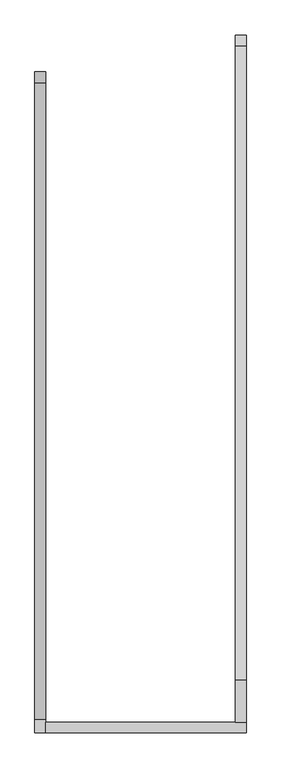
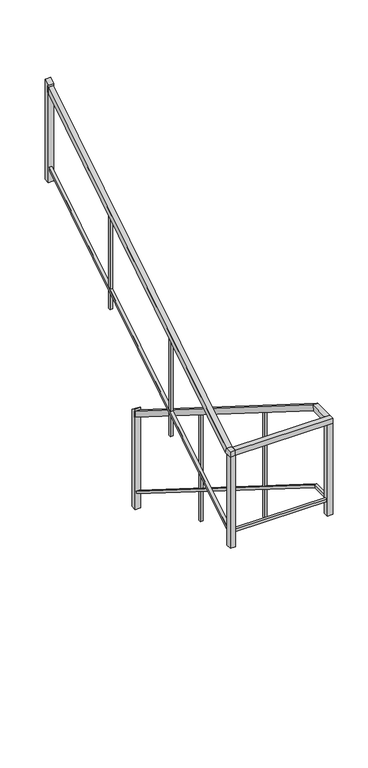
"""IFC4 building model written with IfcOpenShell, lengths in millimetres: railing geometry."""

import ifcopenshell
import ifcopenshell.guid

model = None  # the IFC model being written
_history = None  # IfcOwnerHistory: only IFC2X3 demands one
_inside = {}  # id of a spatial element -> (the spatial element, [elements in it])
_under = {}  # id of a project, library or spatial element -> (it, [spatial elements below it])
_declared = {}  # id of a project -> (the project, [libraries it declares])
_typed = {}  # id of a type object -> (the type object, [elements of that type])
_made_of = {}  # id of a material, layer set ... -> (it, [elements and type objects made of it])


def new_model(schema):
    """Start an empty IFC model of exactly this schema.

    Asked for "IFC4X3", IfcOpenShell would pick the latest addendum, in which some entities
    have other attributes; the version numbers below select the first issue.
    IFC2X3 requires an IfcOwnerHistory on every rooted entity: one is made here for all.
    """
    global model, _history
    if schema == "IFC4X3":
        model = ifcopenshell.file(schema_version=(4, 3, 0, 0))
    else:
        model = ifcopenshell.file(schema=schema)
    _inside.clear()
    _under.clear()
    _declared.clear()
    _typed.clear()
    _made_of.clear()
    _history = None
    if model.schema == "IFC2X3":
        org = make("IfcOrganization", Name="unknown")
        user = make(
            "IfcPersonAndOrganization",
            ThePerson=make("IfcPerson", FamilyName="unknown"),
            TheOrganization=org,
        )
        app = make(
            "IfcApplication",
            ApplicationDeveloper=org,
            Version="unknown",
            ApplicationFullName="unknown",
            ApplicationIdentifier="unknown",
        )
        _history = make(
            "IfcOwnerHistory",
            OwningUser=user,
            OwningApplication=app,
            ChangeAction="ADDED",
            CreationDate=0,
        )
    return model


def make(cls, **values):
    """One entity of the class cls with the attributes given. An attribute that is None is left unset."""
    return model.create_entity(
        cls, **{name: value for name, value in values.items() if value is not None}
    )


def rooted(cls, **values):
    """An entity with a GlobalId (a new one), such as an element, a storey or a relation."""
    return make(cls, GlobalId=ifcopenshell.guid.new(), OwnerHistory=_history, **values)


def si_unit(unit_type, name, prefix=None):
    """IfcSIUnit, for example si_unit("LENGTHUNIT", "METRE", prefix="MILLI")."""
    return make("IfcSIUnit", UnitType=unit_type, Prefix=prefix, Name=name)


def assignment(units):
    """IfcUnitAssignment: the units of a project."""
    return None if units is None else make("IfcUnitAssignment", Units=units)


def point(xyz):
    """IfcCartesianPoint."""
    return None if xyz is None else make("IfcCartesianPoint", Coordinates=xyz)


def direction(xyz):
    """IfcDirection."""
    return None if xyz is None else make("IfcDirection", DirectionRatios=xyz)


def frame(location, z_axis=None, x_axis=None):
    """IfcAxis2Placement3D, a coordinate frame: its origin and axes. An axis left out is left unset."""
    return make(
        "IfcAxis2Placement3D",
        Location=point(location),
        Axis=direction(z_axis),
        RefDirection=direction(x_axis),
    )


def origin():
    """The frame at (0, 0, 0) with its axes left unset."""
    return frame((0.0, 0.0, 0.0))


def place(relative_to, where):
    """IfcLocalPlacement: puts the frame where relative to a parent placement (None: the world)."""
    return make(
        "IfcLocalPlacement", PlacementRelTo=relative_to, RelativePlacement=where
    )


def context(
    kind, dimensions, precision=None, world=None, true_north=None, identifier=None
):
    """IfcGeometricRepresentationContext, for example the 3D "Model" context."""
    return make(
        "IfcGeometricRepresentationContext",
        ContextIdentifier=identifier,
        ContextType=kind,
        CoordinateSpaceDimension=dimensions,
        Precision=precision,
        WorldCoordinateSystem=world,
        TrueNorth=true_north,
    )


def project(units=None, contexts=None):
    """IfcProject with its units and contexts."""
    return rooted(
        "IfcProject",
        Name="project",
        RepresentationContexts=contexts,
        UnitsInContext=assignment(units),
    )


def spatial(cls, under=None, at=None, **own):
    """A site, building, storey or space (cls), placed at a placement, below another one or the project."""
    s = rooted(cls, ObjectPlacement=at, **own)
    if under is not None:
        _under.setdefault(under.id(), (under, []))[1].append(s)
    return s


def polyline(points):
    """IfcPolyline through the points."""
    return make("IfcPolyline", Points=[point(p) for p in points])


def outline(outer, holes=None, kind="AREA"):
    """IfcArbitraryClosedProfileDef: a profile drawn as a closed curve; with holes, ...WithVoids."""
    if holes is None:
        return make("IfcArbitraryClosedProfileDef", ProfileType=kind, OuterCurve=outer)
    return make(
        "IfcArbitraryProfileDefWithVoids",
        ProfileType=kind,
        OuterCurve=outer,
        InnerCurves=holes,
    )


def extrude(swept, where, along, depth):
    """IfcExtrudedAreaSolid: the profile swept, set in the frame where, extruded along a direction by depth."""
    return make(
        "IfcExtrudedAreaSolid",
        SweptArea=swept,
        Position=where,
        ExtrudedDirection=direction(along),
        Depth=depth,
    )


def faces_of(points, faces, orient=None, outer=None):
    """IfcFace entities. A face is a list of loops; a loop is a list of indices into points, from 0.

    orient and outer hold one flag for each loop. By default every Orientation is true, the
    first loop of a face is its IfcFaceOuterBound and the others are IfcFaceBound.
    """
    made = []
    for i, loops in enumerate(faces):
        bounds = []
        for j, loop in enumerate(loops):
            is_outer = j == 0 if outer is None else outer[i][j]
            bounds.append(
                make(
                    "IfcFaceOuterBound" if is_outer else "IfcFaceBound",
                    Bound=make("IfcPolyLoop", Polygon=[points[k] for k in loop]),
                    Orientation=True if orient is None else orient[i][j],
                )
            )
        made.append(make("IfcFace", Bounds=bounds))
    return made


def faceted_brep(points, faces, orient=None, outer=None, voids=None):
    """IfcFacetedBrep: a solid bounded by flat faces; with voids (closed shells), ...WithVoids."""
    shared = [point(p) for p in points]
    hull = make("IfcClosedShell", CfsFaces=faces_of(shared, faces, orient, outer))
    if voids is None:
        return make("IfcFacetedBrep", Outer=hull)
    return make(
        "IfcFacetedBrepWithVoids",
        Outer=hull,
        Voids=[
            make(cls, CfsFaces=faces_of(shared, fs, o, b)) for cls, fs, o, b in voids
        ],
    )


def shape(context_of_items, identifier, shape_type, items):
    """IfcShapeRepresentation: the items that make up one representation, for example the "Body"."""
    return make(
        "IfcShapeRepresentation",
        ContextOfItems=context_of_items,
        RepresentationIdentifier=identifier,
        RepresentationType=shape_type,
        Items=items,
    )


def source(mapping_origin, context_of_items, identifier, shape_type, items):
    """IfcRepresentationMap: a shape defined once, which mapped items show again and again."""
    return make(
        "IfcRepresentationMap",
        MappingOrigin=mapping_origin,
        MappedRepresentation=shape(context_of_items, identifier, shape_type, items),
    )


def transform(
    local_origin,
    x_axis=None,
    y_axis=None,
    z_axis=None,
    scale=None,
    scale2=None,
    scale3=None,
    uniform=True,
):
    """IfcCartesianTransformationOperator3D, or its non-uniform kind. x_axis, y_axis, z_axis: its Axis1, 2, 3."""
    if uniform:
        return make(
            "IfcCartesianTransformationOperator3D",
            Axis1=direction(x_axis),
            Axis2=direction(y_axis),
            LocalOrigin=point(local_origin),
            Scale=scale,
            Axis3=direction(z_axis),
        )
    return make(
        "IfcCartesianTransformationOperator3DnonUniform",
        Axis1=direction(x_axis),
        Axis2=direction(y_axis),
        LocalOrigin=point(local_origin),
        Scale=scale,
        Axis3=direction(z_axis),
        Scale2=scale2,
        Scale3=scale3,
    )


def mapped(mapping_source, mapping_target):
    """IfcMappedItem: shows the shape of a source again, moved by a transform."""
    return make(
        "IfcMappedItem", MappingSource=mapping_source, MappingTarget=mapping_target
    )


def made_of(thing, what):
    """Note that an element or type object is made of a material, layer set ...; save() writes the relation."""
    if what is not None:
        _made_of.setdefault(what.id(), (what, []))[1].append(thing)
    return thing


def element(
    cls,
    number,
    at=None,
    inside=None,
    cuts=None,
    type_object=None,
    material=None,
    context=None,
    identifier="Body",
    shape_type=None,
    held_by="IfcProductDefinitionShape",
    body=None,
    shapes=None,
    **own,
):
    """One element of the class cls, such as IfcWall. Its Tag is "e" and its number.

    at: its placement. inside: the storey or other place that contains it. cuts: it is an
    opening in that element (IfcRelVoidsElement). A single representation is given by context,
    identifier, shape_type and body (its items); several are given by shapes. held_by: the class
    of the entity that holds the representations. save() writes the other relations.
    """
    e = rooted(cls, Tag="e%d" % number, ObjectPlacement=at, **own)
    if body is not None:
        shapes = [shape(context, identifier, shape_type, body)]
    if shapes is not None:
        e.Representation = make(held_by, Representations=shapes)
    if inside is not None:
        _inside.setdefault(inside.id(), (inside, []))[1].append(e)
    if cuts is not None:
        rooted(
            "IfcRelVoidsElement", RelatingBuildingElement=cuts, RelatedOpeningElement=e
        )
    if type_object is not None:
        _typed.setdefault(type_object.id(), (type_object, []))[1].append(e)
    return made_of(e, material)


def aggregate(whole, parts):
    """IfcRelAggregates: a whole, such as a stair, and the parts it consists of."""
    return rooted("IfcRelAggregates", RelatingObject=whole, RelatedObjects=parts)


def save(model, path):
    """Write the relations noted so far, then the file.

    IfcRelAggregates (storeys below a building ...), IfcRelContainedInSpatialStructure (elements
    in a storey), IfcRelDefinesByType, IfcRelAssociatesMaterial and IfcRelDeclares: one each for
    every whole, place, type object, material and project.
    """
    for whole, parts in _under.values():
        aggregate(whole, parts)
    for where, things in _inside.values():
        rooted(
            "IfcRelContainedInSpatialStructure",
            RelatedElements=things,
            RelatingStructure=where,
        )
    for kind, things in _typed.values():
        rooted("IfcRelDefinesByType", RelatedObjects=things, RelatingType=kind)
    for what, things in _made_of.values():
        rooted("IfcRelAssociatesMaterial", RelatedObjects=things, RelatingMaterial=what)
    for by, libraries in _declared.values():
        rooted("IfcRelDeclares", RelatingContext=by, RelatedDefinitions=libraries)
    model.write(path)


def railing_4f3e31ac(model_context):
    return source(origin(), model_context, "Body", "SolidModel", [
        faceted_brep([(-94926.4627678, 114951.9915305, -1330.441176), (-94875.6627678, 114951.9915305, -1330.441176), (-94875.6627678, 114951.9915305, -1390.4283893), (-94926.4627678, 114951.9915305, -1390.4283893), (-94926.4627678, 111989.3059657, 530.1826087), (-94875.6627678, 111989.3059657, 530.1826087), (-94875.6627678, 111974.6770953, 479.3826087), (-94926.4627678, 111974.6770953, 479.3826087), (-94926.4627678, 111791.4832069, 530.1826087), (-94926.4627678, 111791.4832069, 479.3826087), (-94875.6627678, 111791.4832069, 479.3826087), (-94875.6627678, 111791.4832069, 530.1826087)], [[[0, 1, 2, 3]], [[1, 0, 4, 5]], [[2, 1, 5, 6]], [[3, 2, 6, 7]], [[0, 3, 7, 4]], [[8, 9, 10, 11]], [[5, 4, 8, 11]], [[6, 5, 11, 10]], [[7, 6, 10, 9]], [[4, 7, 9, 8]]]),
        faceted_brep([(-94875.6627678, 111791.4832069, 530.1826087), (-94875.6627678, 111740.6832069, 530.1826087), (-94875.6627678, 111740.6832069, 479.3826087), (-94875.6627678, 111791.4832069, 479.3826087), (-95810.2183085, 111791.4832069, 530.1826087), (-95810.2183085, 111791.4832069, 479.3826087), (-95810.2183085, 111740.6832069, 479.3826087), (-95810.2183085, 111740.6832069, 530.1826087)], [[[0, 1, 2, 3]], [[4, 5, 6, 7]], [[1, 0, 4, 7]], [[2, 1, 7, 6]], [[3, 2, 6, 5]], [[0, 3, 5, 4]]]),
        faceted_brep([(-95810.2183085, 111740.6832069, 530.1826087), (-95861.0183085, 111740.6832069, 530.1826087), (-95861.0183085, 111740.6832069, 479.3826087), (-95810.2183085, 111740.6832069, 479.3826087), (-95810.2183085, 111803.5086019, 530.1826087), (-95861.0183085, 111803.5086019, 530.1826087), (-95861.0183085, 111818.1374723, 479.3826087), (-95810.2183085, 111818.1374723, 479.3826087), (-95810.2183085, 114780.8230371, 2399.9936067), (-95810.2183085, 114780.8230371, 2340.0063933), (-95861.0183085, 114780.8230371, 2340.0063933), (-95861.0183085, 114780.8230371, 2399.9936067)], [[[0, 1, 2, 3]], [[1, 0, 4, 5]], [[2, 1, 5, 6]], [[3, 2, 6, 7]], [[0, 3, 7, 4]], [[8, 9, 10, 11]], [[5, 4, 8, 11]], [[6, 5, 11, 10]], [[7, 6, 10, 9]], [[4, 7, 9, 8]]]),
        faceted_brep([(-94913.7627678, 114951.9915305, -2143.0379793), (-94888.3627678, 114951.9915305, -2143.0379793), (-94888.3627678, 114951.9915305, -2173.0315859), (-94913.7627678, 114951.9915305, -2173.0315859), (-94913.7627678, 111985.6487481, -280.1173913), (-94888.3627678, 111985.6487481, -280.1173913), (-94888.3627678, 111978.3343129, -305.5173913), (-94913.7627678, 111978.3343129, -305.5173913), (-94913.7627678, 111778.7832069, -280.1173913), (-94913.7627678, 111778.7832069, -305.5173913), (-94888.3627678, 111778.7832069, -305.5173913), (-94888.3627678, 111778.7832069, -280.1173913)], [[[0, 1, 2, 3]], [[1, 0, 4, 5]], [[2, 1, 5, 6]], [[3, 2, 6, 7]], [[0, 3, 7, 4]], [[8, 9, 10, 11]], [[5, 4, 8, 11]], [[6, 5, 11, 10]], [[7, 6, 10, 9]], [[4, 7, 9, 8]]]),
        faceted_brep([(-94888.3627678, 111778.7832069, -280.1173913), (-94888.3627678, 111753.3832069, -280.1173913), (-94888.3627678, 111753.3832069, -305.5173913), (-94888.3627678, 111778.7832069, -305.5173913), (-95822.9183085, 111778.7832069, -280.1173913), (-95822.9183085, 111778.7832069, -305.5173913), (-95822.9183085, 111753.3832069, -305.5173913), (-95822.9183085, 111753.3832069, -280.1173913)], [[[0, 1, 2, 3]], [[4, 5, 6, 7]], [[1, 0, 4, 7]], [[2, 1, 7, 6]], [[3, 2, 6, 5]], [[0, 3, 5, 4]]]),
        faceted_brep([(-95822.9183085, 111753.3832069, -280.1173913), (-95848.3183085, 111753.3832069, -280.1173913), (-95848.3183085, 111753.3832069, -305.5173913), (-95822.9183085, 111753.3832069, -305.5173913), (-95822.9183085, 111807.1658195, -280.1173913), (-95848.3183085, 111807.1658195, -280.1173913), (-95848.3183085, 111814.4802547, -305.5173913), (-95822.9183085, 111814.4802547, -305.5173913), (-95822.9183085, 114780.8230371, 1587.3968033), (-95822.9183085, 114780.8230371, 1557.4031967), (-95848.3183085, 114780.8230371, 1557.4031967), (-95848.3183085, 114780.8230371, 1587.3968033)], [[[0, 1, 2, 3]], [[1, 0, 4, 5]], [[2, 1, 5, 6]], [[3, 2, 6, 7]], [[0, 3, 7, 4]], [[8, 9, 10, 11]], [[5, 4, 8, 11]], [[6, 5, 11, 10]], [[7, 6, 10, 9]], [[4, 7, 9, 8]]]),
        extrude(outline(polyline([(113763.2097604, 1743.6191982), (113788.6097604, 1759.570889), (113788.6097604, 741.7391304), (113763.2097604, 741.7391304), (113763.2097604, 1743.6191982)])), frame((-95848.3183085, 0.0, 0.0), z_axis=(1.0, 0.0, 0.0), x_axis=(0.0, 1.0, 0.0)), (0.0, 0.0, 1.0), 25.4),
        extrude(outline(polyline([(112758.2964836, 1112.5142418), (112783.6964836, 1128.4659326), (112783.6964836, 63.4782609), (112758.2964836, 63.4782609), (112758.2964836, 1112.5142418)])), frame((-95848.3183085, 0.0, 0.0), z_axis=(1.0, 0.0, 0.0), x_axis=(0.0, 1.0, 0.0)), (0.0, 0.0, 1.0), 25.4),
        extrude(outline(polyline([(112840.7526481, -21.8359676), (112840.7526481, -1123.4782609), (112815.3526481, -1123.4782609), (112815.3526481, -5.8842768), (112840.7526481, -21.8359676)])), frame((-94913.7627678, 0.0, 0.0), z_axis=(1.0, 0.0, 0.0), x_axis=(0.0, 1.0, 0.0)), (0.0, 0.0, 1.0), 25.4),
        extrude(outline(polyline([(113902.7220893, -688.7732978), (113902.7220893, -1801.7391304), (113877.3220893, -1801.7391304), (113877.3220893, -672.821607), (113902.7220893, -688.7732978)])), frame((-94913.7627678, 0.0, 0.0), z_axis=(1.0, 0.0, 0.0), x_axis=(0.0, 1.0, 0.0)), (0.0, 0.0, 1.0), 25.4),
        extrude(outline(polyline([(-95810.2183085, 111740.6832069), (-95861.0183085, 111740.6832069), (-95861.0183085, 111791.4832069), (-95810.2183085, 111791.4832069), (-95810.2183085, 111740.6832069)])), frame((0.0, 0.0, -445.2173913), z_axis=(0.0, 0.0, 1.0), x_axis=(1.0, 0.0, 0.0)), (0.0, 0.0, 1.0), 924.6),
        extrude(outline(polyline([(-94875.6627678, 111791.4832069), (-94875.6627678, 111740.6832069), (-94926.4627678, 111740.6832069), (-94926.4627678, 111791.4832069), (-94875.6627678, 111791.4832069)])), frame((0.0, 0.0, -445.2173913), z_axis=(0.0, 0.0, 1.0), x_axis=(1.0, 0.0, 0.0)), (0.0, 0.0, 1.0), 924.6),
        extrude(outline(polyline([(114768.1230371, 2412.9241546), (114818.9230371, 2444.8275362), (114818.9230371, 1427.9758454), (114768.1230371, 1427.9758454), (114768.1230371, 2412.9241546)])), frame((-95861.0183085, 0.0, 0.0), z_axis=(1.0, 0.0, 0.0), x_axis=(0.0, 1.0, 0.0)), (0.0, 0.0, 1.0), 50.8),
        extrude(outline(polyline([(114990.0915305, -1333.4623188), (114990.0915305, -2318.410628), (114939.2915305, -2318.410628), (114939.2915305, -1301.5589372), (114990.0915305, -1333.4623188)])), frame((-94926.4627678, 0.0, 0.0), z_axis=(1.0, 0.0, 0.0), x_axis=(0.0, 1.0, 0.0)), (0.0, 0.0, 1.0), 50.8),
    ])


if __name__ == "__main__":
    model = new_model("IFC4")
    model_context = context("Model", 3, world=origin())
    ifc_project = project(units=[si_unit("LENGTHUNIT", "METRE", prefix="MILLI")], contexts=[model_context])
    site = spatial("IfcSite", under=ifc_project)
    building = spatial("IfcBuilding", under=site)
    placement = place(None, origin())
    railing_shape = railing_4f3e31ac(model_context)
    element("IfcRailing", 1, at=placement, inside=building, context=model_context, shape_type="MappedRepresentation", body=[
        mapped(railing_shape, transform((0.0, 0.0, 0.0), x_axis=(1.0, 0.0, 0.0), y_axis=(0.0, 1.0, 0.0), z_axis=(0.0, 0.0, 1.0))),
    ])
    save(model, "model.ifc")
